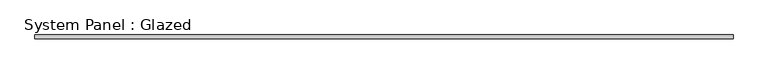
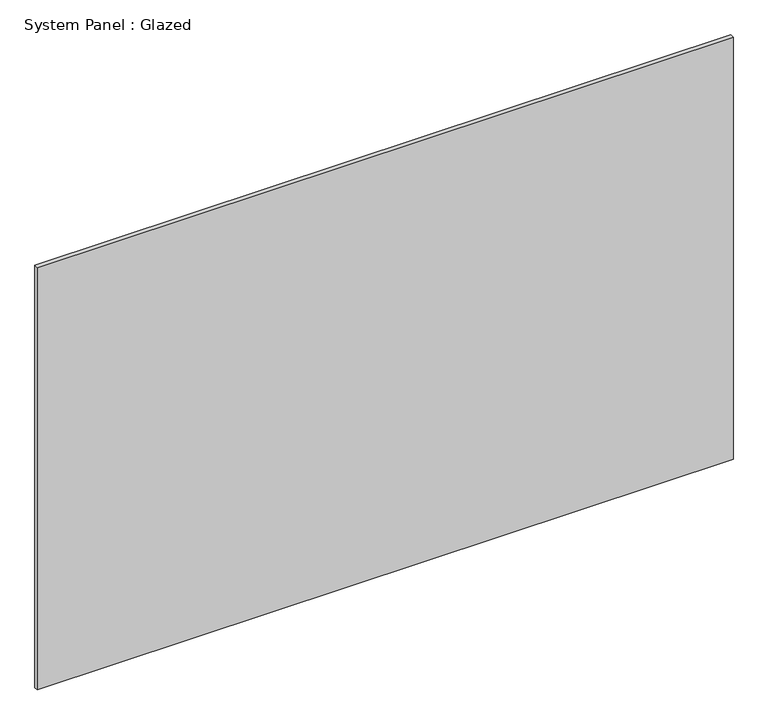
"""IFC4 building model written with IfcOpenShell, lengths in millimetres: plate geometry, System Panel : Glazed."""

from ifc_helpers import new_model, si_unit, origin, origin_with_axes, place, context, project, spatial, polyline, outline, extrude, source, transform, mapped, element, save


def system_panel_glazed_652b42f0(model_context):
    return source(origin(), model_context, "Body", "SweptSolid", [
        extrude(outline(polyline([(2338.1, 24.5), (-2338.1, 24.5), (-2338.1, 49.5), (2338.1, 49.5), (2338.1, 24.5)])), origin_with_axes(), (0.0, 0.0, 1.0), 3000.0),
    ])


if __name__ == "__main__":
    model = new_model("IFC4")
    model_context = context("Model", 3, world=origin())
    ifc_project = project(units=[si_unit("LENGTHUNIT", "METRE", prefix="MILLI")], contexts=[model_context])
    site = spatial("IfcSite", under=ifc_project)
    building = spatial("IfcBuilding", under=site)
    placement = place(None, origin())
    system_panel_glazed_shape = system_panel_glazed_652b42f0(model_context)
    element("IfcPlate", 1, ObjectType="System Panel : Glazed", at=placement, inside=building, context=model_context, shape_type="MappedRepresentation", body=[
        mapped(system_panel_glazed_shape, transform((0.0, 0.0, 0.0), x_axis=(1.0, 0.0, 0.0), y_axis=(0.0, 1.0, 0.0), z_axis=(0.0, 0.0, 1.0))),
    ])
    save(model, "model.ifc")
